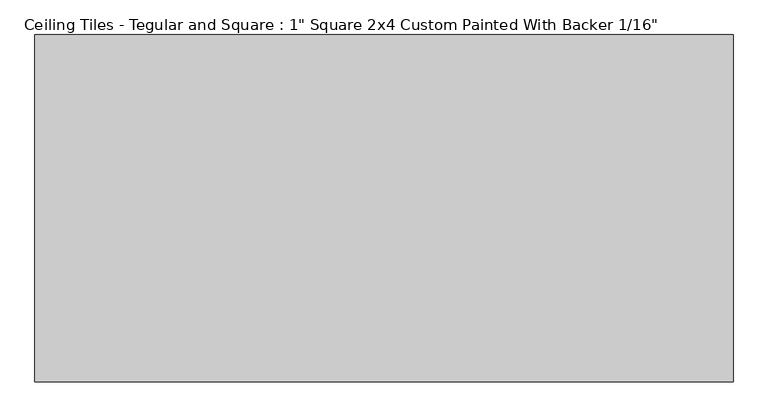
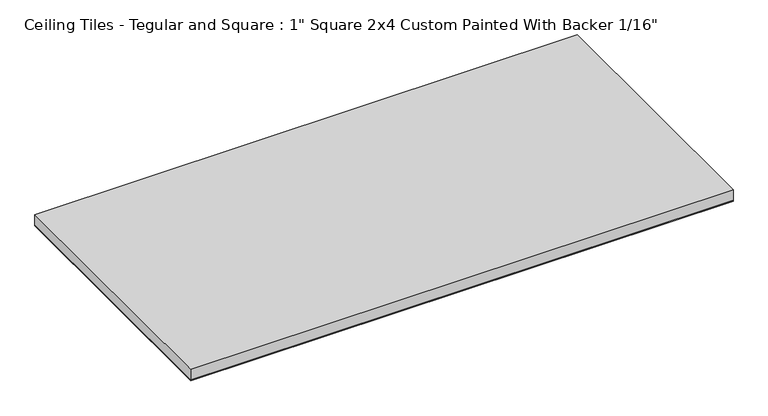
"""IFC4 building model written with IfcOpenShell, lengths in millimetres: proxy geometry."""

import ifcopenshell
import ifcopenshell.guid

model = None  # the IFC model being written
_history = None  # IfcOwnerHistory: only IFC2X3 demands one
_inside = {}  # id of a spatial element -> (the spatial element, [elements in it])
_under = {}  # id of a project, library or spatial element -> (it, [spatial elements below it])
_declared = {}  # id of a project -> (the project, [libraries it declares])
_typed = {}  # id of a type object -> (the type object, [elements of that type])
_made_of = {}  # id of a material, layer set ... -> (it, [elements and type objects made of it])


def new_model(schema):
    """Start an empty IFC model of exactly this schema.

    Asked for "IFC4X3", IfcOpenShell would pick the latest addendum, in which some entities
    have other attributes; the version numbers below select the first issue.
    IFC2X3 requires an IfcOwnerHistory on every rooted entity: one is made here for all.
    """
    global model, _history
    if schema == "IFC4X3":
        model = ifcopenshell.file(schema_version=(4, 3, 0, 0))
    else:
        model = ifcopenshell.file(schema=schema)
    _inside.clear()
    _under.clear()
    _declared.clear()
    _typed.clear()
    _made_of.clear()
    _history = None
    if model.schema == "IFC2X3":
        org = make("IfcOrganization", Name="unknown")
        user = make(
            "IfcPersonAndOrganization",
            ThePerson=make("IfcPerson", FamilyName="unknown"),
            TheOrganization=org,
        )
        app = make(
            "IfcApplication",
            ApplicationDeveloper=org,
            Version="unknown",
            ApplicationFullName="unknown",
            ApplicationIdentifier="unknown",
        )
        _history = make(
            "IfcOwnerHistory",
            OwningUser=user,
            OwningApplication=app,
            ChangeAction="ADDED",
            CreationDate=0,
        )
    return model


def make(cls, **values):
    """One entity of the class cls with the attributes given. An attribute that is None is left unset."""
    return model.create_entity(
        cls, **{name: value for name, value in values.items() if value is not None}
    )


def rooted(cls, **values):
    """An entity with a GlobalId (a new one), such as an element, a storey or a relation."""
    return make(cls, GlobalId=ifcopenshell.guid.new(), OwnerHistory=_history, **values)


def si_unit(unit_type, name, prefix=None):
    """IfcSIUnit, for example si_unit("LENGTHUNIT", "METRE", prefix="MILLI")."""
    return make("IfcSIUnit", UnitType=unit_type, Prefix=prefix, Name=name)


def assignment(units):
    """IfcUnitAssignment: the units of a project."""
    return None if units is None else make("IfcUnitAssignment", Units=units)


def point(xyz):
    """IfcCartesianPoint."""
    return None if xyz is None else make("IfcCartesianPoint", Coordinates=xyz)


def direction(xyz):
    """IfcDirection."""
    return None if xyz is None else make("IfcDirection", DirectionRatios=xyz)


def frame(location, z_axis=None, x_axis=None):
    """IfcAxis2Placement3D, a coordinate frame: its origin and axes. An axis left out is left unset."""
    return make(
        "IfcAxis2Placement3D",
        Location=point(location),
        Axis=direction(z_axis),
        RefDirection=direction(x_axis),
    )


def origin():
    """The frame at (0, 0, 0) with its axes left unset."""
    return frame((0.0, 0.0, 0.0))


def origin_with_axes():
    """The frame at (0, 0, 0) with the z axis (0, 0, 1) and the x axis (1, 0, 0) written out."""
    return frame((0.0, 0.0, 0.0), z_axis=(0.0, 0.0, 1.0), x_axis=(1.0, 0.0, 0.0))


def place(relative_to, where):
    """IfcLocalPlacement: puts the frame where relative to a parent placement (None: the world)."""
    return make(
        "IfcLocalPlacement", PlacementRelTo=relative_to, RelativePlacement=where
    )


def context(
    kind, dimensions, precision=None, world=None, true_north=None, identifier=None
):
    """IfcGeometricRepresentationContext, for example the 3D "Model" context."""
    return make(
        "IfcGeometricRepresentationContext",
        ContextIdentifier=identifier,
        ContextType=kind,
        CoordinateSpaceDimension=dimensions,
        Precision=precision,
        WorldCoordinateSystem=world,
        TrueNorth=true_north,
    )


def project(units=None, contexts=None):
    """IfcProject with its units and contexts."""
    return rooted(
        "IfcProject",
        Name="project",
        RepresentationContexts=contexts,
        UnitsInContext=assignment(units),
    )


def spatial(cls, under=None, at=None, **own):
    """A site, building, storey or space (cls), placed at a placement, below another one or the project."""
    s = rooted(cls, ObjectPlacement=at, **own)
    if under is not None:
        _under.setdefault(under.id(), (under, []))[1].append(s)
    return s


def polyline(points):
    """IfcPolyline through the points."""
    return make("IfcPolyline", Points=[point(p) for p in points])


def outline(outer, holes=None, kind="AREA"):
    """IfcArbitraryClosedProfileDef: a profile drawn as a closed curve; with holes, ...WithVoids."""
    if holes is None:
        return make("IfcArbitraryClosedProfileDef", ProfileType=kind, OuterCurve=outer)
    return make(
        "IfcArbitraryProfileDefWithVoids",
        ProfileType=kind,
        OuterCurve=outer,
        InnerCurves=holes,
    )


def extrude(swept, where, along, depth):
    """IfcExtrudedAreaSolid: the profile swept, set in the frame where, extruded along a direction by depth."""
    return make(
        "IfcExtrudedAreaSolid",
        SweptArea=swept,
        Position=where,
        ExtrudedDirection=direction(along),
        Depth=depth,
    )


def shape(context_of_items, identifier, shape_type, items):
    """IfcShapeRepresentation: the items that make up one representation, for example the "Body"."""
    return make(
        "IfcShapeRepresentation",
        ContextOfItems=context_of_items,
        RepresentationIdentifier=identifier,
        RepresentationType=shape_type,
        Items=items,
    )


def source(mapping_origin, context_of_items, identifier, shape_type, items):
    """IfcRepresentationMap: a shape defined once, which mapped items show again and again."""
    return make(
        "IfcRepresentationMap",
        MappingOrigin=mapping_origin,
        MappedRepresentation=shape(context_of_items, identifier, shape_type, items),
    )


def transform(
    local_origin,
    x_axis=None,
    y_axis=None,
    z_axis=None,
    scale=None,
    scale2=None,
    scale3=None,
    uniform=True,
):
    """IfcCartesianTransformationOperator3D, or its non-uniform kind. x_axis, y_axis, z_axis: its Axis1, 2, 3."""
    if uniform:
        return make(
            "IfcCartesianTransformationOperator3D",
            Axis1=direction(x_axis),
            Axis2=direction(y_axis),
            LocalOrigin=point(local_origin),
            Scale=scale,
            Axis3=direction(z_axis),
        )
    return make(
        "IfcCartesianTransformationOperator3DnonUniform",
        Axis1=direction(x_axis),
        Axis2=direction(y_axis),
        LocalOrigin=point(local_origin),
        Scale=scale,
        Axis3=direction(z_axis),
        Scale2=scale2,
        Scale3=scale3,
    )


def mapped(mapping_source, mapping_target):
    """IfcMappedItem: shows the shape of a source again, moved by a transform."""
    return make(
        "IfcMappedItem", MappingSource=mapping_source, MappingTarget=mapping_target
    )


def made_of(thing, what):
    """Note that an element or type object is made of a material, layer set ...; save() writes the relation."""
    if what is not None:
        _made_of.setdefault(what.id(), (what, []))[1].append(thing)
    return thing


def element(
    cls,
    number,
    at=None,
    inside=None,
    cuts=None,
    type_object=None,
    material=None,
    context=None,
    identifier="Body",
    shape_type=None,
    held_by="IfcProductDefinitionShape",
    body=None,
    shapes=None,
    **own,
):
    """One element of the class cls, such as IfcWall. Its Tag is "e" and its number.

    at: its placement. inside: the storey or other place that contains it. cuts: it is an
    opening in that element (IfcRelVoidsElement). A single representation is given by context,
    identifier, shape_type and body (its items); several are given by shapes. held_by: the class
    of the entity that holds the representations. save() writes the other relations.
    """
    e = rooted(cls, Tag="e%d" % number, ObjectPlacement=at, **own)
    if body is not None:
        shapes = [shape(context, identifier, shape_type, body)]
    if shapes is not None:
        e.Representation = make(held_by, Representations=shapes)
    if inside is not None:
        _inside.setdefault(inside.id(), (inside, []))[1].append(e)
    if cuts is not None:
        rooted(
            "IfcRelVoidsElement", RelatingBuildingElement=cuts, RelatedOpeningElement=e
        )
    if type_object is not None:
        _typed.setdefault(type_object.id(), (type_object, []))[1].append(e)
    return made_of(e, material)


def aggregate(whole, parts):
    """IfcRelAggregates: a whole, such as a stair, and the parts it consists of."""
    return rooted("IfcRelAggregates", RelatingObject=whole, RelatedObjects=parts)


def save(model, path):
    """Write the relations noted so far, then the file.

    IfcRelAggregates (storeys below a building ...), IfcRelContainedInSpatialStructure (elements
    in a storey), IfcRelDefinesByType, IfcRelAssociatesMaterial and IfcRelDeclares: one each for
    every whole, place, type object, material and project.
    """
    for whole, parts in _under.values():
        aggregate(whole, parts)
    for where, things in _inside.values():
        rooted(
            "IfcRelContainedInSpatialStructure",
            RelatedElements=things,
            RelatingStructure=where,
        )
    for kind, things in _typed.values():
        rooted("IfcRelDefinesByType", RelatedObjects=things, RelatingType=kind)
    for what, things in _made_of.values():
        rooted("IfcRelAssociatesMaterial", RelatedObjects=things, RelatingMaterial=what)
    for by, libraries in _declared.values():
        rooted("IfcRelDeclares", RelatingContext=by, RelatedDefinitions=libraries)
    model.write(path)


def proxy_d8641c37(model_context):
    return source(origin(), model_context, "Body", "SweptSolid", [
        extrude(outline(polyline([(606.425, 301.625), (606.425, -301.625), (-606.425, -301.625), (-606.425, 301.625), (606.425, 301.625)])), origin_with_axes(), (0.0, 0.0, 1.0), 1.5875),
        extrude(outline(polyline([(-606.425, 301.625), (606.425, 301.625), (606.425, -301.625), (-606.425, -301.625), (-606.425, 301.625)])), frame((0.0, 0.0, 1.5875), z_axis=(0.0, 0.0, 1.0), x_axis=(1.0, 0.0, 0.0)), (0.0, 0.0, 1.0), 25.4),
    ])


if __name__ == "__main__":
    model = new_model("IFC4")
    model_context = context("Model", 3, world=origin())
    ifc_project = project(units=[si_unit("LENGTHUNIT", "METRE", prefix="MILLI")], contexts=[model_context])
    site = spatial("IfcSite", under=ifc_project)
    building = spatial("IfcBuilding", under=site)
    placement = place(None, origin())
    proxy_shape = proxy_d8641c37(model_context)
    element("IfcBuildingElementProxy", 1, Name="Ceiling Tiles - Tegular and Square : 1\" Square 2x4 Custom Painted With Backer 1/16\"", ObjectType="Ceiling Tiles - Tegular and Square : 1\" Square 2x4 Custom Painted With Backer 1/16\"", at=placement, inside=building, context=model_context, shape_type="MappedRepresentation", body=[
        mapped(proxy_shape, transform((0.0, 0.0, 0.0), x_axis=(1.0, 0.0, 0.0), y_axis=(0.0, 1.0, 0.0), z_axis=(0.0, 0.0, 1.0))),
    ])
    save(model, "model.ifc")
